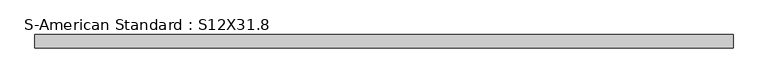
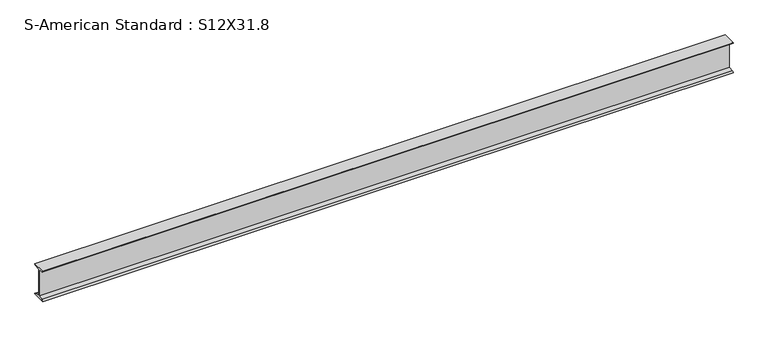
"""IFC4 building model written with IfcOpenShell, lengths in millimetres: beam geometry, S-American Standard : S12X31.8."""

from ifc_helpers import new_model, si_unit, point, frame, frame_2d, origin, place, context, project, spatial, polyline, circle_curve, trimmed, segment, composite_curve, outline, extrude, source, transform, mapped, element, save


def s_american_standard_s12x31_8_de584ab3(model_context):
    return source(origin(), model_context, "Body", "SweptSolid", [
        extrude(outline(composite_curve([segment(polyline([(-63.5, 152.4), (63.5, 152.4)]), True, "CONTINUOUS"), segment(trimmed(circle_curve(frame_2d((49.7, 152.4)), 13.8), [point((63.5, 152.4))], [point((49.7, 138.6))], False, "CARTESIAN"), True, "CONTINUOUS"), segment(polyline([(49.7, 138.6), (4.45, 131.4331041), (4.45, -131.4331041), (49.7, -138.6)]), True, "CONTINUOUS"), segment(trimmed(circle_curve(frame_2d((49.7, -152.4)), 13.8), [point((49.7, -138.6))], [point((63.5, -152.4))], False, "CARTESIAN"), True, "CONTINUOUS"), segment(polyline([(63.5, -152.4), (-63.5, -152.4)]), True, "CONTINUOUS"), segment(trimmed(circle_curve(frame_2d((-49.7, -152.4)), 13.8), [point((-63.5, -152.4))], [point((-49.7, -138.6))], False, "CARTESIAN"), True, "CONTINUOUS"), segment(polyline([(-49.7, -138.6), (-4.45, -131.4331041), (-4.45, 131.4331041), (-49.7, 138.6)]), True, "CONTINUOUS"), segment(trimmed(circle_curve(frame_2d((-49.7, 152.4)), 13.8), [point((-49.7, 138.6))], [point((-63.5, 152.4))], False, "CARTESIAN"), True, "CONTINUOUS")], self_intersect=False)), frame((-2876.3798431, 0.0, 0.0), z_axis=(1.0, 0.0, 0.0), x_axis=(0.0, 1.0, 0.0)), (0.0, 0.0, 1.0), 6548.2480352),
    ])


if __name__ == "__main__":
    model = new_model("IFC4")
    model_context = context("Model", 3, world=origin())
    ifc_project = project(units=[si_unit("LENGTHUNIT", "METRE", prefix="MILLI")], contexts=[model_context])
    site = spatial("IfcSite", under=ifc_project)
    building = spatial("IfcBuilding", under=site)
    placement = place(None, origin())
    s_american_standard_s12x31_8_shape = s_american_standard_s12x31_8_de584ab3(model_context)
    element("IfcBeam", 1, ObjectType="S-American Standard : S12X31.8", at=placement, inside=building, context=model_context, shape_type="MappedRepresentation", body=[
        mapped(s_american_standard_s12x31_8_shape, transform((0.0, 0.0, 0.0), x_axis=(1.0, 0.0, 0.0), y_axis=(0.0, 1.0, 0.0), z_axis=(0.0, 0.0, 1.0))),
    ])
    save(model, "model.ifc")
